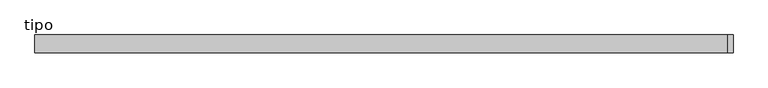
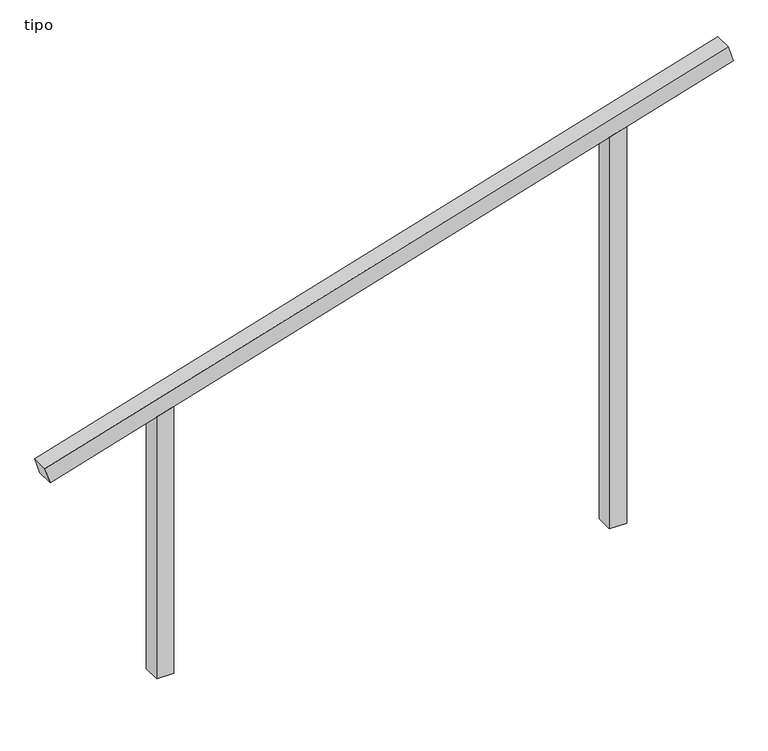
"""IFC4 building model written with IfcOpenShell, lengths in millimetres: proxy geometry, tipo."""

from ifc_helpers import new_model, si_unit, frame, origin, place, context, project, spatial, polyline, outline, extrude, source, transform, mapped, element, save


def tipo_8fbd7a13(model_context):
    return source(origin(), model_context, "Body", "SweptSolid", [
        extrude(outline(polyline([(0.0, -4100.0000001), (0.0, 0.0), (100.0, 0.0), (100.0, -4100.0000001), (0.0, -4100.0000001)])), frame((-1961.8957162, -100.0, 1405.4706072), z_axis=(-0.29001433795688214, 0.0, 0.957022300565369), x_axis=(0.0, 1.0, 0.0)), (0.0, 0.0, 1.0), 100.0),
        extrude(outline(polyline([(2409.1016019, 1350.0), (2378.7977796, 1250.0), (0.0, 1250.0), (0.0, 1350.0), (2409.1016019, 1350.0)])), frame((0.0, -100.0, 0.0), z_axis=(0.0, 1.0, 0.0), x_axis=(0.0, 0.0, 1.0)), (0.0, 0.0, 1.0), 100.0),
        extrude(outline(polyline([(1590.8983981, -1350.0), (0.0, -1350.0), (0.0, -1250.0), (1621.2022204, -1250.0), (1590.8983981, -1350.0)])), frame((0.0, -100.0, 0.0), z_axis=(0.0, 1.0, 0.0), x_axis=(0.0, 0.0, 1.0)), (0.0, 0.0, 1.0), 100.0),
    ])


if __name__ == "__main__":
    model = new_model("IFC4")
    model_context = context("Model", 3, world=origin())
    ifc_project = project(units=[si_unit("LENGTHUNIT", "METRE", prefix="MILLI")], contexts=[model_context])
    site = spatial("IfcSite", under=ifc_project)
    building = spatial("IfcBuilding", under=site)
    placement = place(None, origin())
    tipo_shape = tipo_8fbd7a13(model_context)
    element("IfcBuildingElementProxy", 1, Name="tipo", ObjectType="tipo", at=placement, inside=building, context=model_context, shape_type="MappedRepresentation", body=[
        mapped(tipo_shape, transform((0.0, 0.0, 0.0), x_axis=(1.0, 0.0, 0.0), y_axis=(0.0, 1.0, 0.0), z_axis=(0.0, 0.0, 1.0))),
    ])
    save(model, "model.ifc")
